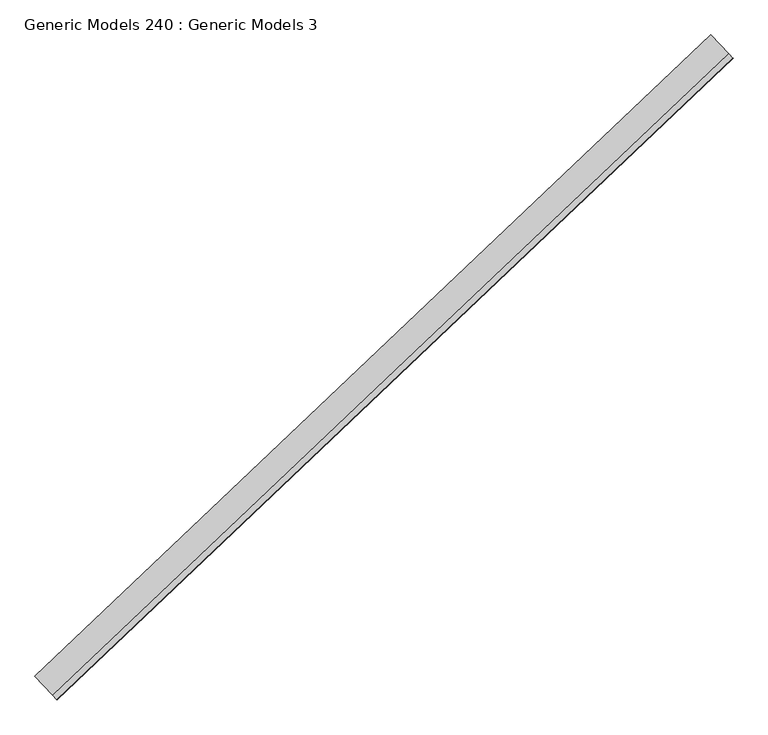
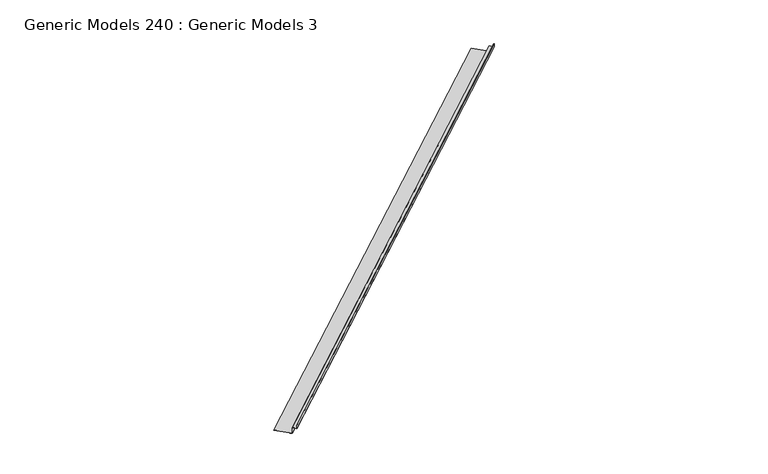
"""IFC4 building model written with IfcOpenShell, lengths in millimetres: proxy geometry, Generic Models 240 : Generic Models 3."""

import ifcopenshell
import ifcopenshell.guid

model = None  # the IFC model being written
_history = None  # IfcOwnerHistory: only IFC2X3 demands one
_inside = {}  # id of a spatial element -> (the spatial element, [elements in it])
_under = {}  # id of a project, library or spatial element -> (it, [spatial elements below it])
_declared = {}  # id of a project -> (the project, [libraries it declares])
_typed = {}  # id of a type object -> (the type object, [elements of that type])
_made_of = {}  # id of a material, layer set ... -> (it, [elements and type objects made of it])


def new_model(schema):
    """Start an empty IFC model of exactly this schema.

    Asked for "IFC4X3", IfcOpenShell would pick the latest addendum, in which some entities
    have other attributes; the version numbers below select the first issue.
    IFC2X3 requires an IfcOwnerHistory on every rooted entity: one is made here for all.
    """
    global model, _history
    if schema == "IFC4X3":
        model = ifcopenshell.file(schema_version=(4, 3, 0, 0))
    else:
        model = ifcopenshell.file(schema=schema)
    _inside.clear()
    _under.clear()
    _declared.clear()
    _typed.clear()
    _made_of.clear()
    _history = None
    if model.schema == "IFC2X3":
        org = make("IfcOrganization", Name="unknown")
        user = make(
            "IfcPersonAndOrganization",
            ThePerson=make("IfcPerson", FamilyName="unknown"),
            TheOrganization=org,
        )
        app = make(
            "IfcApplication",
            ApplicationDeveloper=org,
            Version="unknown",
            ApplicationFullName="unknown",
            ApplicationIdentifier="unknown",
        )
        _history = make(
            "IfcOwnerHistory",
            OwningUser=user,
            OwningApplication=app,
            ChangeAction="ADDED",
            CreationDate=0,
        )
    return model


def make(cls, **values):
    """One entity of the class cls with the attributes given. An attribute that is None is left unset."""
    return model.create_entity(
        cls, **{name: value for name, value in values.items() if value is not None}
    )


def rooted(cls, **values):
    """An entity with a GlobalId (a new one), such as an element, a storey or a relation."""
    return make(cls, GlobalId=ifcopenshell.guid.new(), OwnerHistory=_history, **values)


def si_unit(unit_type, name, prefix=None):
    """IfcSIUnit, for example si_unit("LENGTHUNIT", "METRE", prefix="MILLI")."""
    return make("IfcSIUnit", UnitType=unit_type, Prefix=prefix, Name=name)


def assignment(units):
    """IfcUnitAssignment: the units of a project."""
    return None if units is None else make("IfcUnitAssignment", Units=units)


def point(xyz):
    """IfcCartesianPoint."""
    return None if xyz is None else make("IfcCartesianPoint", Coordinates=xyz)


def direction(xyz):
    """IfcDirection."""
    return None if xyz is None else make("IfcDirection", DirectionRatios=xyz)


def frame(location, z_axis=None, x_axis=None):
    """IfcAxis2Placement3D, a coordinate frame: its origin and axes. An axis left out is left unset."""
    return make(
        "IfcAxis2Placement3D",
        Location=point(location),
        Axis=direction(z_axis),
        RefDirection=direction(x_axis),
    )


def origin():
    """The frame at (0, 0, 0) with its axes left unset."""
    return frame((0.0, 0.0, 0.0))


def place(relative_to, where):
    """IfcLocalPlacement: puts the frame where relative to a parent placement (None: the world)."""
    return make(
        "IfcLocalPlacement", PlacementRelTo=relative_to, RelativePlacement=where
    )


def context(
    kind, dimensions, precision=None, world=None, true_north=None, identifier=None
):
    """IfcGeometricRepresentationContext, for example the 3D "Model" context."""
    return make(
        "IfcGeometricRepresentationContext",
        ContextIdentifier=identifier,
        ContextType=kind,
        CoordinateSpaceDimension=dimensions,
        Precision=precision,
        WorldCoordinateSystem=world,
        TrueNorth=true_north,
    )


def project(units=None, contexts=None):
    """IfcProject with its units and contexts."""
    return rooted(
        "IfcProject",
        Name="project",
        RepresentationContexts=contexts,
        UnitsInContext=assignment(units),
    )


def spatial(cls, under=None, at=None, **own):
    """A site, building, storey or space (cls), placed at a placement, below another one or the project."""
    s = rooted(cls, ObjectPlacement=at, **own)
    if under is not None:
        _under.setdefault(under.id(), (under, []))[1].append(s)
    return s


def polyline(points):
    """IfcPolyline through the points."""
    return make("IfcPolyline", Points=[point(p) for p in points])


def outline(outer, holes=None, kind="AREA"):
    """IfcArbitraryClosedProfileDef: a profile drawn as a closed curve; with holes, ...WithVoids."""
    if holes is None:
        return make("IfcArbitraryClosedProfileDef", ProfileType=kind, OuterCurve=outer)
    return make(
        "IfcArbitraryProfileDefWithVoids",
        ProfileType=kind,
        OuterCurve=outer,
        InnerCurves=holes,
    )


def extrude(swept, where, along, depth):
    """IfcExtrudedAreaSolid: the profile swept, set in the frame where, extruded along a direction by depth."""
    return make(
        "IfcExtrudedAreaSolid",
        SweptArea=swept,
        Position=where,
        ExtrudedDirection=direction(along),
        Depth=depth,
    )


def shape(context_of_items, identifier, shape_type, items):
    """IfcShapeRepresentation: the items that make up one representation, for example the "Body"."""
    return make(
        "IfcShapeRepresentation",
        ContextOfItems=context_of_items,
        RepresentationIdentifier=identifier,
        RepresentationType=shape_type,
        Items=items,
    )


def source(mapping_origin, context_of_items, identifier, shape_type, items):
    """IfcRepresentationMap: a shape defined once, which mapped items show again and again."""
    return make(
        "IfcRepresentationMap",
        MappingOrigin=mapping_origin,
        MappedRepresentation=shape(context_of_items, identifier, shape_type, items),
    )


def transform(
    local_origin,
    x_axis=None,
    y_axis=None,
    z_axis=None,
    scale=None,
    scale2=None,
    scale3=None,
    uniform=True,
):
    """IfcCartesianTransformationOperator3D, or its non-uniform kind. x_axis, y_axis, z_axis: its Axis1, 2, 3."""
    if uniform:
        return make(
            "IfcCartesianTransformationOperator3D",
            Axis1=direction(x_axis),
            Axis2=direction(y_axis),
            LocalOrigin=point(local_origin),
            Scale=scale,
            Axis3=direction(z_axis),
        )
    return make(
        "IfcCartesianTransformationOperator3DnonUniform",
        Axis1=direction(x_axis),
        Axis2=direction(y_axis),
        LocalOrigin=point(local_origin),
        Scale=scale,
        Axis3=direction(z_axis),
        Scale2=scale2,
        Scale3=scale3,
    )


def mapped(mapping_source, mapping_target):
    """IfcMappedItem: shows the shape of a source again, moved by a transform."""
    return make(
        "IfcMappedItem", MappingSource=mapping_source, MappingTarget=mapping_target
    )


def made_of(thing, what):
    """Note that an element or type object is made of a material, layer set ...; save() writes the relation."""
    if what is not None:
        _made_of.setdefault(what.id(), (what, []))[1].append(thing)
    return thing


def element(
    cls,
    number,
    at=None,
    inside=None,
    cuts=None,
    type_object=None,
    material=None,
    context=None,
    identifier="Body",
    shape_type=None,
    held_by="IfcProductDefinitionShape",
    body=None,
    shapes=None,
    **own,
):
    """One element of the class cls, such as IfcWall. Its Tag is "e" and its number.

    at: its placement. inside: the storey or other place that contains it. cuts: it is an
    opening in that element (IfcRelVoidsElement). A single representation is given by context,
    identifier, shape_type and body (its items); several are given by shapes. held_by: the class
    of the entity that holds the representations. save() writes the other relations.
    """
    e = rooted(cls, Tag="e%d" % number, ObjectPlacement=at, **own)
    if body is not None:
        shapes = [shape(context, identifier, shape_type, body)]
    if shapes is not None:
        e.Representation = make(held_by, Representations=shapes)
    if inside is not None:
        _inside.setdefault(inside.id(), (inside, []))[1].append(e)
    if cuts is not None:
        rooted(
            "IfcRelVoidsElement", RelatingBuildingElement=cuts, RelatedOpeningElement=e
        )
    if type_object is not None:
        _typed.setdefault(type_object.id(), (type_object, []))[1].append(e)
    return made_of(e, material)


def aggregate(whole, parts):
    """IfcRelAggregates: a whole, such as a stair, and the parts it consists of."""
    return rooted("IfcRelAggregates", RelatingObject=whole, RelatedObjects=parts)


def save(model, path):
    """Write the relations noted so far, then the file.

    IfcRelAggregates (storeys below a building ...), IfcRelContainedInSpatialStructure (elements
    in a storey), IfcRelDefinesByType, IfcRelAssociatesMaterial and IfcRelDeclares: one each for
    every whole, place, type object, material and project.
    """
    for whole, parts in _under.values():
        aggregate(whole, parts)
    for where, things in _inside.values():
        rooted(
            "IfcRelContainedInSpatialStructure",
            RelatedElements=things,
            RelatingStructure=where,
        )
    for kind, things in _typed.values():
        rooted("IfcRelDefinesByType", RelatedObjects=things, RelatingType=kind)
    for what, things in _made_of.values():
        rooted("IfcRelAssociatesMaterial", RelatedObjects=things, RelatingMaterial=what)
    for by, libraries in _declared.values():
        rooted("IfcRelDeclares", RelatingContext=by, RelatedDefinitions=libraries)
    model.write(path)


def generic_models_240_generic_models_3_ccc2f447(model_context):
    return source(origin(), model_context, "Body", "SweptSolid", [
        extrude(outline(polyline([(-12.1957036, 0.0), (-12.1957036, 56.9318619), (35.6944947, 56.9318619), (35.6944947, 55.3443619), (-10.6082036, 55.3443619), (-10.6082036, -1.5875), (-90.267566, -1.5875), (-90.267566, -230.4943519), (-91.855066, -230.4943519), (-91.855066, 0.0), (-12.1957036, 0.0)])), frame((109940.5936074, 47316.9085092, 18110.773816), z_axis=(0.7253743710122986, 0.6883545756937424, 0.0), x_axis=(0.0, 0.0, 1.0)), (0.0, 0.0, 1.0), 8321.675),
    ])


if __name__ == "__main__":
    model = new_model("IFC4")
    model_context = context("Model", 3, world=origin())
    ifc_project = project(units=[si_unit("LENGTHUNIT", "METRE", prefix="MILLI")], contexts=[model_context])
    site = spatial("IfcSite", under=ifc_project)
    building = spatial("IfcBuilding", under=site)
    placement = place(None, origin())
    generic_models_240_generic_models_3_shape = generic_models_240_generic_models_3_ccc2f447(model_context)
    element("IfcBuildingElementProxy", 1, Name="Generic Models 240 : Generic Models 3", ObjectType="Generic Models 240 : Generic Models 3", at=placement, inside=building, context=model_context, shape_type="MappedRepresentation", body=[
        mapped(generic_models_240_generic_models_3_shape, transform((0.0, 0.0, 0.0), x_axis=(1.0, 0.0, 0.0), y_axis=(0.0, 1.0, 0.0), z_axis=(0.0, 0.0, 1.0))),
    ])
    save(model, "model.ifc")
